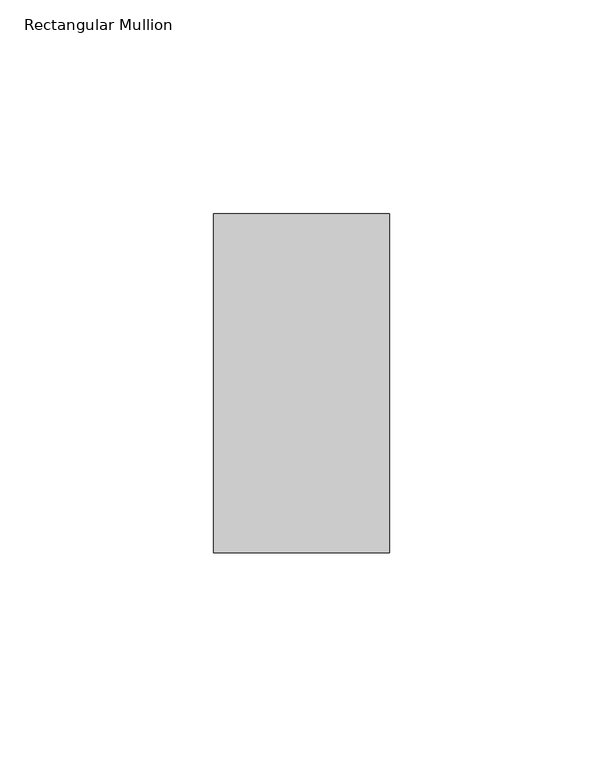
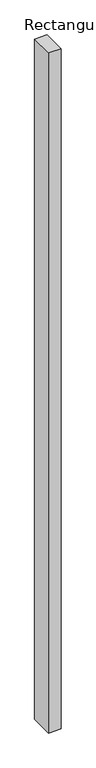
"""IFC4 building model written with IfcOpenShell, lengths in millimetres: member geometry, Rectangular Mullion."""

import ifcopenshell
import ifcopenshell.guid

model = None  # the IFC model being written
_history = None  # IfcOwnerHistory: only IFC2X3 demands one
_inside = {}  # id of a spatial element -> (the spatial element, [elements in it])
_under = {}  # id of a project, library or spatial element -> (it, [spatial elements below it])
_declared = {}  # id of a project -> (the project, [libraries it declares])
_typed = {}  # id of a type object -> (the type object, [elements of that type])
_made_of = {}  # id of a material, layer set ... -> (it, [elements and type objects made of it])


def new_model(schema):
    """Start an empty IFC model of exactly this schema.

    Asked for "IFC4X3", IfcOpenShell would pick the latest addendum, in which some entities
    have other attributes; the version numbers below select the first issue.
    IFC2X3 requires an IfcOwnerHistory on every rooted entity: one is made here for all.
    """
    global model, _history
    if schema == "IFC4X3":
        model = ifcopenshell.file(schema_version=(4, 3, 0, 0))
    else:
        model = ifcopenshell.file(schema=schema)
    _inside.clear()
    _under.clear()
    _declared.clear()
    _typed.clear()
    _made_of.clear()
    _history = None
    if model.schema == "IFC2X3":
        org = make("IfcOrganization", Name="unknown")
        user = make(
            "IfcPersonAndOrganization",
            ThePerson=make("IfcPerson", FamilyName="unknown"),
            TheOrganization=org,
        )
        app = make(
            "IfcApplication",
            ApplicationDeveloper=org,
            Version="unknown",
            ApplicationFullName="unknown",
            ApplicationIdentifier="unknown",
        )
        _history = make(
            "IfcOwnerHistory",
            OwningUser=user,
            OwningApplication=app,
            ChangeAction="ADDED",
            CreationDate=0,
        )
    return model


def make(cls, **values):
    """One entity of the class cls with the attributes given. An attribute that is None is left unset."""
    return model.create_entity(
        cls, **{name: value for name, value in values.items() if value is not None}
    )


def rooted(cls, **values):
    """An entity with a GlobalId (a new one), such as an element, a storey or a relation."""
    return make(cls, GlobalId=ifcopenshell.guid.new(), OwnerHistory=_history, **values)


def si_unit(unit_type, name, prefix=None):
    """IfcSIUnit, for example si_unit("LENGTHUNIT", "METRE", prefix="MILLI")."""
    return make("IfcSIUnit", UnitType=unit_type, Prefix=prefix, Name=name)


def assignment(units):
    """IfcUnitAssignment: the units of a project."""
    return None if units is None else make("IfcUnitAssignment", Units=units)


def point(xyz):
    """IfcCartesianPoint."""
    return None if xyz is None else make("IfcCartesianPoint", Coordinates=xyz)


def direction(xyz):
    """IfcDirection."""
    return None if xyz is None else make("IfcDirection", DirectionRatios=xyz)


def frame(location, z_axis=None, x_axis=None):
    """IfcAxis2Placement3D, a coordinate frame: its origin and axes. An axis left out is left unset."""
    return make(
        "IfcAxis2Placement3D",
        Location=point(location),
        Axis=direction(z_axis),
        RefDirection=direction(x_axis),
    )


def origin():
    """The frame at (0, 0, 0) with its axes left unset."""
    return frame((0.0, 0.0, 0.0))


def place(relative_to, where):
    """IfcLocalPlacement: puts the frame where relative to a parent placement (None: the world)."""
    return make(
        "IfcLocalPlacement", PlacementRelTo=relative_to, RelativePlacement=where
    )


def context(
    kind, dimensions, precision=None, world=None, true_north=None, identifier=None
):
    """IfcGeometricRepresentationContext, for example the 3D "Model" context."""
    return make(
        "IfcGeometricRepresentationContext",
        ContextIdentifier=identifier,
        ContextType=kind,
        CoordinateSpaceDimension=dimensions,
        Precision=precision,
        WorldCoordinateSystem=world,
        TrueNorth=true_north,
    )


def project(units=None, contexts=None):
    """IfcProject with its units and contexts."""
    return rooted(
        "IfcProject",
        Name="project",
        RepresentationContexts=contexts,
        UnitsInContext=assignment(units),
    )


def spatial(cls, under=None, at=None, **own):
    """A site, building, storey or space (cls), placed at a placement, below another one or the project."""
    s = rooted(cls, ObjectPlacement=at, **own)
    if under is not None:
        _under.setdefault(under.id(), (under, []))[1].append(s)
    return s


def polyline(points):
    """IfcPolyline through the points."""
    return make("IfcPolyline", Points=[point(p) for p in points])


def outline(outer, holes=None, kind="AREA"):
    """IfcArbitraryClosedProfileDef: a profile drawn as a closed curve; with holes, ...WithVoids."""
    if holes is None:
        return make("IfcArbitraryClosedProfileDef", ProfileType=kind, OuterCurve=outer)
    return make(
        "IfcArbitraryProfileDefWithVoids",
        ProfileType=kind,
        OuterCurve=outer,
        InnerCurves=holes,
    )


def extrude(swept, where, along, depth):
    """IfcExtrudedAreaSolid: the profile swept, set in the frame where, extruded along a direction by depth."""
    return make(
        "IfcExtrudedAreaSolid",
        SweptArea=swept,
        Position=where,
        ExtrudedDirection=direction(along),
        Depth=depth,
    )


def shape(context_of_items, identifier, shape_type, items):
    """IfcShapeRepresentation: the items that make up one representation, for example the "Body"."""
    return make(
        "IfcShapeRepresentation",
        ContextOfItems=context_of_items,
        RepresentationIdentifier=identifier,
        RepresentationType=shape_type,
        Items=items,
    )


def source(mapping_origin, context_of_items, identifier, shape_type, items):
    """IfcRepresentationMap: a shape defined once, which mapped items show again and again."""
    return make(
        "IfcRepresentationMap",
        MappingOrigin=mapping_origin,
        MappedRepresentation=shape(context_of_items, identifier, shape_type, items),
    )


def transform(
    local_origin,
    x_axis=None,
    y_axis=None,
    z_axis=None,
    scale=None,
    scale2=None,
    scale3=None,
    uniform=True,
):
    """IfcCartesianTransformationOperator3D, or its non-uniform kind. x_axis, y_axis, z_axis: its Axis1, 2, 3."""
    if uniform:
        return make(
            "IfcCartesianTransformationOperator3D",
            Axis1=direction(x_axis),
            Axis2=direction(y_axis),
            LocalOrigin=point(local_origin),
            Scale=scale,
            Axis3=direction(z_axis),
        )
    return make(
        "IfcCartesianTransformationOperator3DnonUniform",
        Axis1=direction(x_axis),
        Axis2=direction(y_axis),
        LocalOrigin=point(local_origin),
        Scale=scale,
        Axis3=direction(z_axis),
        Scale2=scale2,
        Scale3=scale3,
    )


def mapped(mapping_source, mapping_target):
    """IfcMappedItem: shows the shape of a source again, moved by a transform."""
    return make(
        "IfcMappedItem", MappingSource=mapping_source, MappingTarget=mapping_target
    )


def made_of(thing, what):
    """Note that an element or type object is made of a material, layer set ...; save() writes the relation."""
    if what is not None:
        _made_of.setdefault(what.id(), (what, []))[1].append(thing)
    return thing


def element(
    cls,
    number,
    at=None,
    inside=None,
    cuts=None,
    type_object=None,
    material=None,
    context=None,
    identifier="Body",
    shape_type=None,
    held_by="IfcProductDefinitionShape",
    body=None,
    shapes=None,
    **own,
):
    """One element of the class cls, such as IfcWall. Its Tag is "e" and its number.

    at: its placement. inside: the storey or other place that contains it. cuts: it is an
    opening in that element (IfcRelVoidsElement). A single representation is given by context,
    identifier, shape_type and body (its items); several are given by shapes. held_by: the class
    of the entity that holds the representations. save() writes the other relations.
    """
    e = rooted(cls, Tag="e%d" % number, ObjectPlacement=at, **own)
    if body is not None:
        shapes = [shape(context, identifier, shape_type, body)]
    if shapes is not None:
        e.Representation = make(held_by, Representations=shapes)
    if inside is not None:
        _inside.setdefault(inside.id(), (inside, []))[1].append(e)
    if cuts is not None:
        rooted(
            "IfcRelVoidsElement", RelatingBuildingElement=cuts, RelatedOpeningElement=e
        )
    if type_object is not None:
        _typed.setdefault(type_object.id(), (type_object, []))[1].append(e)
    return made_of(e, material)


def aggregate(whole, parts):
    """IfcRelAggregates: a whole, such as a stair, and the parts it consists of."""
    return rooted("IfcRelAggregates", RelatingObject=whole, RelatedObjects=parts)


def save(model, path):
    """Write the relations noted so far, then the file.

    IfcRelAggregates (storeys below a building ...), IfcRelContainedInSpatialStructure (elements
    in a storey), IfcRelDefinesByType, IfcRelAssociatesMaterial and IfcRelDeclares: one each for
    every whole, place, type object, material and project.
    """
    for whole, parts in _under.values():
        aggregate(whole, parts)
    for where, things in _inside.values():
        rooted(
            "IfcRelContainedInSpatialStructure",
            RelatedElements=things,
            RelatingStructure=where,
        )
    for kind, things in _typed.values():
        rooted("IfcRelDefinesByType", RelatedObjects=things, RelatingType=kind)
    for what, things in _made_of.values():
        rooted("IfcRelAssociatesMaterial", RelatedObjects=things, RelatingMaterial=what)
    for by, libraries in _declared.values():
        rooted("IfcRelDeclares", RelatingContext=by, RelatedDefinitions=libraries)
    model.write(path)


def rectangular_mullion_066d8143(model_context):
    return source(origin(), model_context, "Body", "SweptSolid", [
        extrude(outline(polyline([(20.6375, 34.925), (20.6375, -44.45), (-20.6375, -44.45), (-20.6375, 34.925), (20.6375, 34.925)])), frame((0.0, 0.0, -2390.775), z_axis=(0.0, 0.0, 1.0), x_axis=(1.0, 0.0, 0.0)), (0.0, 0.0, 1.0), 2390.775),
    ])


if __name__ == "__main__":
    model = new_model("IFC4")
    model_context = context("Model", 3, world=origin())
    ifc_project = project(units=[si_unit("LENGTHUNIT", "METRE", prefix="MILLI")], contexts=[model_context])
    site = spatial("IfcSite", under=ifc_project)
    building = spatial("IfcBuilding", under=site)
    placement = place(None, origin())
    rectangular_mullion_shape = rectangular_mullion_066d8143(model_context)
    element("IfcMember", 1, ObjectType="Rectangular Mullion", at=placement, inside=building, context=model_context, shape_type="MappedRepresentation", body=[
        mapped(rectangular_mullion_shape, transform((0.0, 0.0, 0.0), x_axis=(1.0, 0.0, 0.0), y_axis=(0.0, 1.0, 0.0), z_axis=(0.0, 0.0, 1.0))),
    ])
    save(model, "model.ifc")
